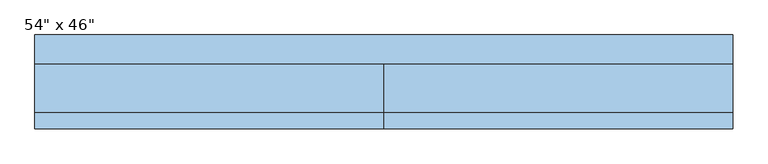
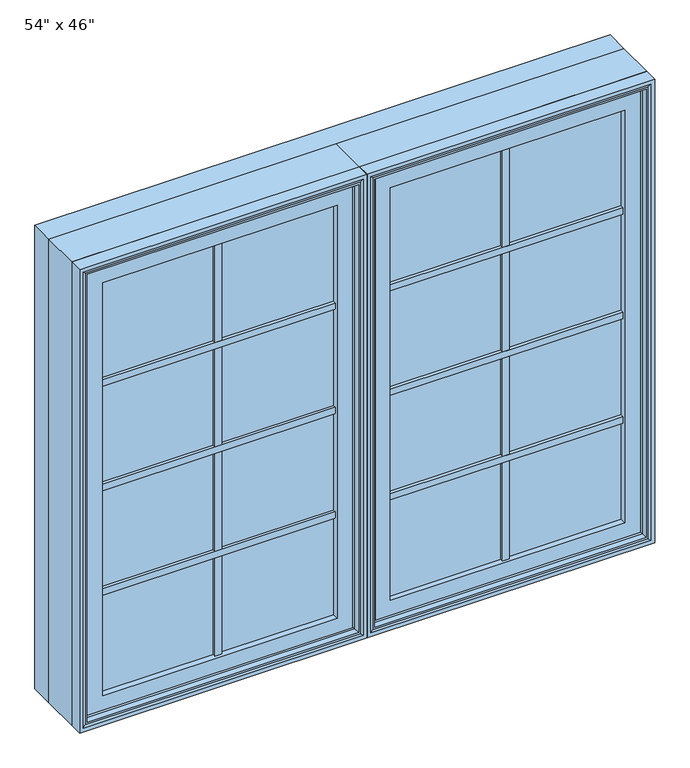
"""IFC4 building model written with IfcOpenShell, lengths in millimetres: window geometry."""

from ifc_helpers import new_model, si_unit, frame, origin, place, context, project, spatial, polyline, outline, extrude, faceted_brep, source, transform, mapped, element, save


def window_6384385e(model_context):
    return source(origin(), model_context, "Body", "SolidModel", [
        extrude(outline(polyline([(-14.684375, 18.8515625), (-14.684375, 25.2015625), (14.684375, 25.2015625), (14.684375, 18.8515625), (-14.684375, 18.8515625)])), frame((0.0, 0.0, 933.45), z_axis=(0.0, 0.0, 1.0), x_axis=(1.0, 0.0, 0.0)), (0.0, 0.0, 1.0), 1130.3),
        extrude(outline(polyline([(632.221875, -61.515625), (53.578125, -61.515625), (53.578125, -53.578125), (632.221875, -53.578125), (632.221875, -61.515625)])), frame((0.0, 0.0, 1752.5007813), z_axis=(0.0, 0.0, 1.0), x_axis=(1.0, 0.0, 0.0)), (0.0, 0.0, 1.0), 15.875),
        extrude(outline(polyline([(632.221875, -86.915625), (53.578125, -86.915625), (53.578125, -78.978125), (632.221875, -78.978125), (632.221875, -86.915625)])), frame((0.0, 0.0, 1752.5007813), z_axis=(0.0, 0.0, 1.0), x_axis=(1.0, 0.0, 0.0)), (0.0, 0.0, 1.0), 15.875),
        extrude(outline(polyline([(632.221875, -75.803125), (53.578125, -75.803125), (53.578125, -64.690625), (632.221875, -64.690625), (632.221875, -75.803125)])), frame((0.0, 0.0, 1757.2632813), z_axis=(0.0, 0.0, 1.0), x_axis=(1.0, 0.0, 0.0)), (0.0, 0.0, 1.0), 6.35),
        extrude(outline(polyline([(632.221875, -61.515625), (53.578125, -61.515625), (53.578125, -53.578125), (632.221875, -53.578125), (632.221875, -61.515625)])), frame((0.0, 0.0, 1489.075), z_axis=(0.0, 0.0, 1.0), x_axis=(1.0, 0.0, 0.0)), (0.0, 0.0, 1.0), 15.875),
        extrude(outline(polyline([(632.221875, -86.915625), (53.578125, -86.915625), (53.578125, -78.978125), (632.221875, -78.978125), (632.221875, -86.915625)])), frame((0.0, 0.0, 1489.075), z_axis=(0.0, 0.0, 1.0), x_axis=(1.0, 0.0, 0.0)), (0.0, 0.0, 1.0), 15.875),
        extrude(outline(polyline([(632.221875, -75.803125), (53.578125, -75.803125), (53.578125, -64.690625), (632.221875, -64.690625), (632.221875, -75.803125)])), frame((0.0, 0.0, 1493.8375), z_axis=(0.0, 0.0, 1.0), x_axis=(1.0, 0.0, 0.0)), (0.0, 0.0, 1.0), 6.35),
        extrude(outline(polyline([(632.221875, -61.515625), (53.578125, -61.515625), (53.578125, -53.578125), (632.221875, -53.578125), (632.221875, -61.515625)])), frame((0.0, 0.0, 1225.6492188), z_axis=(0.0, 0.0, 1.0), x_axis=(1.0, 0.0, 0.0)), (0.0, 0.0, 1.0), 15.875),
        extrude(outline(polyline([(632.221875, -86.915625), (53.578125, -86.915625), (53.578125, -78.978125), (632.221875, -78.978125), (632.221875, -86.915625)])), frame((0.0, 0.0, 1225.6492188), z_axis=(0.0, 0.0, 1.0), x_axis=(1.0, 0.0, 0.0)), (0.0, 0.0, 1.0), 15.875),
        extrude(outline(polyline([(632.221875, -75.803125), (53.578125, -75.803125), (53.578125, -64.690625), (632.221875, -64.690625), (632.221875, -75.803125)])), frame((0.0, 0.0, 1230.4117188), z_axis=(0.0, 0.0, 1.0), x_axis=(1.0, 0.0, 0.0)), (0.0, 0.0, 1.0), 6.35),
        extrude(outline(polyline([(346.075, -64.690625), (346.075, -75.803125), (339.725, -75.803125), (339.725, -64.690625), (346.075, -64.690625)])), frame((0.0, 0.0, 967.978125), z_axis=(0.0, 0.0, 1.0), x_axis=(1.0, 0.0, 0.0)), (0.0, 0.0, 1.0), 1061.24375),
        extrude(outline(polyline([(350.8375, -53.578125), (350.8375, -61.515625), (334.9625, -61.515625), (334.9625, -53.578125), (350.8375, -53.578125)])), frame((0.0, 0.0, 967.978125), z_axis=(0.0, 0.0, 1.0), x_axis=(1.0, 0.0, 0.0)), (0.0, 0.0, 1.0), 1061.24375),
        extrude(outline(polyline([(350.8375, -78.978125), (350.8375, -86.915625), (334.9625, -86.915625), (334.9625, -78.978125), (350.8375, -78.978125)])), frame((0.0, 0.0, 967.978125), z_axis=(0.0, 0.0, 1.0), x_axis=(1.0, 0.0, 0.0)), (0.0, 0.0, 1.0), 1061.24375),
        extrude(outline(polyline([(632.221875, -61.515625), (632.221875, -78.978125), (53.578125, -78.978125), (53.578125, -61.515625), (632.221875, -61.515625)])), frame((0.0, 0.0, 967.978125), z_axis=(0.0, 0.0, 1.0), x_axis=(1.0, 0.0, 0.0)), (0.0, 0.0, 1.0), 1061.24375),
        faceted_brep([(666.1404, -54.0563278, 934.0596), (666.1404, -75.6046875, 934.0596), (666.1404, -75.6046875, 2063.1404), (666.1404, -54.0563278, 2063.1404), (638.177183, 1.7772662, 2035.177183), (638.177183, 1.7772662, 962.025), (638.177183, -47.0093984, 962.025), (638.177183, -47.0093984, 2035.177183), (685.8, -75.6046875, 914.4), (685.8, 18.8515625, 914.4), (685.8, 18.8515625, 2082.8), (685.8, -75.6046875, 2082.8), (19.6596, -75.6046875, 2063.1404), (19.6596, -54.0563278, 2063.1404), (47.622817, -47.0093984, 2035.177183), (47.622817, 1.7772662, 2035.177183), (0.0, 18.8515625, 2082.8), (0.0, -75.6046875, 2082.8), (659.6634, -47.0093984, 940.5366), (659.6634, -54.0563278, 940.5366), (659.6634, -54.0563278, 2056.6634), (659.6634, -47.0093984, 2056.6634), (26.1366, -54.0563278, 2056.6634), (26.1366, -47.0093984, 2056.6634), (22.2238888, 18.8515625, 2060.5761112), (663.5761112, 18.8515625, 2060.5761112), (663.5761112, 1.7772662, 2060.5761112), (22.2238888, 1.7772662, 2060.5761112), (663.5761112, 18.8515625, 936.6238888), (663.5761112, 1.7772662, 936.6238888), (0.0, -75.6046875, 914.4), (0.0, 18.8515625, 914.4), (19.6596, -75.6046875, 934.0596), (19.6596, -54.0563278, 934.0596), (26.1366, -54.0563278, 940.5366), (26.1366, -47.0093984, 940.5366), (47.622817, -47.0093984, 962.025), (47.622817, 1.7772662, 962.025), (22.2238888, 1.7772662, 936.6238888), (22.2238888, 18.8515625, 936.6238888)], [[[0, 1, 2, 3]], [[4, 5, 6, 7]], [[8, 9, 10, 11]], [[2, 12, 13, 3]], [[7, 14, 15, 4]], [[10, 16, 17, 11]], [[18, 19, 20, 21]], [[20, 22, 23, 21]], [[24, 25, 26, 27]], [[25, 28, 29, 26]], [[8, 30, 31, 9]], [[8, 11, 17, 30], [12, 2, 1, 32]], [[12, 32, 33, 13]], [[13, 33, 0, 3], [22, 20, 19, 34]], [[22, 34, 35, 23]], [[23, 35, 18, 21], [7, 6, 36, 14]], [[14, 36, 37, 15]], [[26, 29, 38, 27], [15, 37, 5, 4]], [[38, 39, 24, 27]], [[31, 16, 10, 9], [25, 24, 39, 28]], [[17, 16, 31, 30]], [[1, 0, 33, 32]], [[19, 18, 35, 34]], [[6, 5, 37, 36]], [[29, 28, 39, 38]]]),
        extrude(outline(polyline([(941.2966952, 658.9033048), (2055.9033048, 658.9033048), (2055.9033048, 26.8966952), (941.2966952, 26.8966952), (941.2966952, 658.9033048)]), holes=[polyline([(2019.1015625, 622.1015625), (978.0984375, 622.1015625), (978.0984375, 63.6984375), (2019.1015625, 63.6984375), (2019.1015625, 622.1015625)])]), frame((0.0, -94.2883505, 0.0), z_axis=(0.0, 1.0, 0.0), x_axis=(0.0, 0.0, 1.0)), (0.0, 0.0, 1.0), 14.1988723),
        faceted_brep([(652.8341084, -78.8395729, 2049.8341084), (652.8341084, -78.8395729, 947.3658916), (652.8341084, -47.2499024, 947.3658916), (652.8341084, -47.2499024, 2049.8341084), (632.221875, -61.515625, 2029.221875), (632.221875, -61.515625, 967.978125), (632.221875, -78.8395729, 967.978125), (632.221875, -78.8395729, 2029.221875), (32.9658916, -78.8395729, 947.3658916), (32.9658916, -47.2499024, 947.3658916), (53.578125, -61.515625, 967.978125), (53.578125, -78.8395729, 967.978125), (32.9658916, -78.8395729, 2049.8341084), (32.9658916, -47.2499024, 2049.8341084), (53.578125, -61.515625, 2029.221875), (53.578125, -78.8395729, 2029.221875), (622.1015625, -61.515625, 2019.1015625), (622.1015625, -61.515625, 978.0984375), (63.6984375, -61.515625, 978.0984375), (63.6984375, -61.515625, 2019.1015625), (624.8498111, -47.2499024, 975.3501889), (624.8498111, -47.2499024, 2021.8498111), (60.9501889, -47.2499024, 2021.8498111), (60.9501889, -47.2499024, 975.3501889), (622.1015625, -60.1793953, 2019.1015625), (622.1015625, -60.1793953, 978.0984375), (63.6984375, -60.1793953, 978.0984375), (63.6984375, -60.1793953, 2019.1015625)], [[[0, 1, 2, 3]], [[4, 5, 6, 7]], [[1, 8, 9, 2]], [[5, 10, 11, 6]], [[8, 12, 13, 9]], [[10, 14, 15, 11]], [[12, 0, 3, 13]], [[1, 0, 12, 8], [7, 6, 11, 15]], [[14, 4, 7, 15]], [[5, 4, 14, 10], [16, 17, 18, 19]], [[3, 2, 9, 13], [20, 21, 22, 23]], [[24, 25, 17, 16]], [[25, 26, 18, 17]], [[26, 27, 19, 18]], [[27, 24, 16, 19]], [[21, 20, 25, 24]], [[20, 23, 26, 25]], [[23, 22, 27, 26]], [[22, 21, 24, 27]]]),
        faceted_brep([(671.2220166, -106.5736375, 2068.2220166), (671.2220166, -106.5736375, 928.9779834), (676.555345, -108.1484375, 923.644655), (676.555345, -108.1484375, 2073.555345), (666.3526868, -91.7927591, 2063.3526868), (666.3526868, -91.7927591, 933.8473132), (666.3526868, -106.5736375, 933.8473132), (666.3526868, -106.5736375, 2063.3526868), (685.8, -108.1484375, 2082.8), (685.8, -108.1484375, 914.4), (685.8, -75.6046875, 914.4), (685.8, -75.6046875, 2082.8), (14.5779834, -106.5736375, 928.9779834), (9.244655, -108.1484375, 923.644655), (19.4473132, -91.7927591, 933.8473132), (19.4473132, -106.5736375, 933.8473132), (0.0, -108.1484375, 914.4), (0.0, -75.6046875, 914.4), (14.5779834, -106.5736375, 2068.2220166), (9.244655, -108.1484375, 2073.555345), (19.4473132, -91.7927591, 2063.3526868), (19.4473132, -106.5736375, 2063.3526868), (0.0, -108.1484375, 2082.8), (0.0, -75.6046875, 2082.8), (665.1244, -75.6046875, 935.0756), (665.1244, -75.6046875, 2062.1244), (20.6756, -75.6046875, 2062.1244), (20.6756, -75.6046875, 935.0756), (665.1244, -77.6195591, 2062.1244), (665.1244, -77.6195591, 935.0756), (20.6756, -77.6195591, 935.0756), (20.6756, -77.6195591, 2062.1244)], [[[0, 1, 2, 3]], [[4, 5, 6, 7]], [[8, 9, 10, 11]], [[1, 12, 13, 2]], [[5, 14, 15, 6]], [[9, 16, 17, 10]], [[12, 18, 19, 13]], [[14, 20, 21, 15]], [[16, 22, 23, 17]], [[9, 8, 22, 16], [3, 2, 13, 19]], [[18, 0, 3, 19]], [[1, 0, 18, 12], [7, 6, 15, 21]], [[20, 4, 7, 21]], [[11, 10, 17, 23], [24, 25, 26, 27]], [[22, 8, 11, 23]], [[28, 29, 5, 4]], [[25, 24, 29, 28]], [[29, 30, 14, 5]], [[24, 27, 30, 29]], [[30, 31, 20, 14]], [[27, 26, 31, 30]], [[31, 28, 4, 20]], [[26, 25, 28, 31]]]),
        extrude(outline(polyline([(-53.578125, -61.515625), (-632.221875, -61.515625), (-632.221875, -53.578125), (-53.578125, -53.578125), (-53.578125, -61.515625)])), frame((0.0, 0.0, 1752.5007813), z_axis=(0.0, 0.0, 1.0), x_axis=(1.0, 0.0, 0.0)), (0.0, 0.0, 1.0), 15.875),
        extrude(outline(polyline([(-53.578125, -86.915625), (-632.221875, -86.915625), (-632.221875, -78.978125), (-53.578125, -78.978125), (-53.578125, -86.915625)])), frame((0.0, 0.0, 1752.5007813), z_axis=(0.0, 0.0, 1.0), x_axis=(1.0, 0.0, 0.0)), (0.0, 0.0, 1.0), 15.875),
        extrude(outline(polyline([(-53.578125, -75.803125), (-632.221875, -75.803125), (-632.221875, -64.690625), (-53.578125, -64.690625), (-53.578125, -75.803125)])), frame((0.0, 0.0, 1757.2632813), z_axis=(0.0, 0.0, 1.0), x_axis=(1.0, 0.0, 0.0)), (0.0, 0.0, 1.0), 6.35),
        extrude(outline(polyline([(-53.578125, -61.515625), (-632.221875, -61.515625), (-632.221875, -53.578125), (-53.578125, -53.578125), (-53.578125, -61.515625)])), frame((0.0, 0.0, 1489.075), z_axis=(0.0, 0.0, 1.0), x_axis=(1.0, 0.0, 0.0)), (0.0, 0.0, 1.0), 15.875),
        extrude(outline(polyline([(-53.578125, -86.915625), (-632.221875, -86.915625), (-632.221875, -78.978125), (-53.578125, -78.978125), (-53.578125, -86.915625)])), frame((0.0, 0.0, 1489.075), z_axis=(0.0, 0.0, 1.0), x_axis=(1.0, 0.0, 0.0)), (0.0, 0.0, 1.0), 15.875),
        extrude(outline(polyline([(-53.578125, -75.803125), (-632.221875, -75.803125), (-632.221875, -64.690625), (-53.578125, -64.690625), (-53.578125, -75.803125)])), frame((0.0, 0.0, 1493.8375), z_axis=(0.0, 0.0, 1.0), x_axis=(1.0, 0.0, 0.0)), (0.0, 0.0, 1.0), 6.35),
        extrude(outline(polyline([(-53.578125, -61.515625), (-632.221875, -61.515625), (-632.221875, -53.578125), (-53.578125, -53.578125), (-53.578125, -61.515625)])), frame((0.0, 0.0, 1225.6492188), z_axis=(0.0, 0.0, 1.0), x_axis=(1.0, 0.0, 0.0)), (0.0, 0.0, 1.0), 15.875),
        extrude(outline(polyline([(-53.578125, -86.915625), (-632.221875, -86.915625), (-632.221875, -78.978125), (-53.578125, -78.978125), (-53.578125, -86.915625)])), frame((0.0, 0.0, 1225.6492188), z_axis=(0.0, 0.0, 1.0), x_axis=(1.0, 0.0, 0.0)), (0.0, 0.0, 1.0), 15.875),
        extrude(outline(polyline([(-53.578125, -75.803125), (-632.221875, -75.803125), (-632.221875, -64.690625), (-53.578125, -64.690625), (-53.578125, -75.803125)])), frame((0.0, 0.0, 1230.4117188), z_axis=(0.0, 0.0, 1.0), x_axis=(1.0, 0.0, 0.0)), (0.0, 0.0, 1.0), 6.35),
        extrude(outline(polyline([(-339.725, -64.690625), (-339.725, -75.803125), (-346.075, -75.803125), (-346.075, -64.690625), (-339.725, -64.690625)])), frame((0.0, 0.0, 967.978125), z_axis=(0.0, 0.0, 1.0), x_axis=(1.0, 0.0, 0.0)), (0.0, 0.0, 1.0), 1061.24375),
        extrude(outline(polyline([(-334.9625, -53.578125), (-334.9625, -61.515625), (-350.8375, -61.515625), (-350.8375, -53.578125), (-334.9625, -53.578125)])), frame((0.0, 0.0, 967.978125), z_axis=(0.0, 0.0, 1.0), x_axis=(1.0, 0.0, 0.0)), (0.0, 0.0, 1.0), 1061.24375),
        extrude(outline(polyline([(-334.9625, -78.978125), (-334.9625, -86.915625), (-350.8375, -86.915625), (-350.8375, -78.978125), (-334.9625, -78.978125)])), frame((0.0, 0.0, 967.978125), z_axis=(0.0, 0.0, 1.0), x_axis=(1.0, 0.0, 0.0)), (0.0, 0.0, 1.0), 1061.24375),
        extrude(outline(polyline([(-53.578125, -61.515625), (-53.578125, -78.978125), (-632.221875, -78.978125), (-632.221875, -61.515625), (-53.578125, -61.515625)])), frame((0.0, 0.0, 967.978125), z_axis=(0.0, 0.0, 1.0), x_axis=(1.0, 0.0, 0.0)), (0.0, 0.0, 1.0), 1061.24375),
        faceted_brep([(-19.6596, -54.0563278, 934.0596), (-19.6596, -75.6046875, 934.0596), (-19.6596, -75.6046875, 2063.1404), (-19.6596, -54.0563278, 2063.1404), (-47.622817, 1.7772662, 2035.177183), (-47.622817, 1.7772662, 962.025), (-47.622817, -47.0093984, 962.025), (-47.622817, -47.0093984, 2035.177183), (0.0, -75.6046875, 914.4), (0.0, 18.8515625, 914.4), (0.0, 18.8515625, 2082.8), (0.0, -75.6046875, 2082.8), (-666.1404, -75.6046875, 2063.1404), (-666.1404, -54.0563278, 2063.1404), (-638.177183, -47.0093984, 2035.177183), (-638.177183, 1.7772662, 2035.177183), (-685.8, 18.8515625, 2082.8), (-685.8, -75.6046875, 2082.8), (-26.1366, -47.0093984, 940.5366), (-26.1366, -54.0563278, 940.5366), (-26.1366, -54.0563278, 2056.6634), (-26.1366, -47.0093984, 2056.6634), (-659.6634, -54.0563278, 2056.6634), (-659.6634, -47.0093984, 2056.6634), (-663.5761112, 18.8515625, 2060.5761112), (-22.2238888, 18.8515625, 2060.5761112), (-22.2238888, 1.7772662, 2060.5761112), (-663.5761112, 1.7772662, 2060.5761112), (-22.2238888, 18.8515625, 936.6238888), (-22.2238888, 1.7772662, 936.6238888), (-685.8, -75.6046875, 914.4), (-685.8, 18.8515625, 914.4), (-666.1404, -75.6046875, 934.0596), (-666.1404, -54.0563278, 934.0596), (-659.6634, -54.0563278, 940.5366), (-659.6634, -47.0093984, 940.5366), (-638.177183, -47.0093984, 962.025), (-638.177183, 1.7772662, 962.025), (-663.5761112, 1.7772662, 936.6238888), (-663.5761112, 18.8515625, 936.6238888)], [[[0, 1, 2, 3]], [[4, 5, 6, 7]], [[8, 9, 10, 11]], [[2, 12, 13, 3]], [[7, 14, 15, 4]], [[10, 16, 17, 11]], [[18, 19, 20, 21]], [[20, 22, 23, 21]], [[24, 25, 26, 27]], [[25, 28, 29, 26]], [[8, 30, 31, 9]], [[8, 11, 17, 30], [12, 2, 1, 32]], [[12, 32, 33, 13]], [[13, 33, 0, 3], [22, 20, 19, 34]], [[22, 34, 35, 23]], [[23, 35, 18, 21], [7, 6, 36, 14]], [[14, 36, 37, 15]], [[26, 29, 38, 27], [15, 37, 5, 4]], [[38, 39, 24, 27]], [[31, 16, 10, 9], [25, 24, 39, 28]], [[17, 16, 31, 30]], [[1, 0, 33, 32]], [[19, 18, 35, 34]], [[6, 5, 37, 36]], [[29, 28, 39, 38]]]),
        extrude(outline(polyline([(941.2966952, -26.8966952), (2055.9033048, -26.8966952), (2055.9033048, -658.9033048), (941.2966952, -658.9033048), (941.2966952, -26.8966952)]), holes=[polyline([(2019.1015625, -63.6984375), (978.0984375, -63.6984375), (978.0984375, -622.1015625), (2019.1015625, -622.1015625), (2019.1015625, -63.6984375)])]), frame((0.0, -94.2883505, 0.0), z_axis=(0.0, 1.0, 0.0), x_axis=(0.0, 0.0, 1.0)), (0.0, 0.0, 1.0), 14.1988723),
        faceted_brep([(-32.9658916, -78.8395729, 2049.8341084), (-32.9658916, -78.8395729, 947.3658916), (-32.9658916, -47.2499024, 947.3658916), (-32.9658916, -47.2499024, 2049.8341084), (-53.578125, -61.515625, 2029.221875), (-53.578125, -61.515625, 967.978125), (-53.578125, -78.8395729, 967.978125), (-53.578125, -78.8395729, 2029.221875), (-652.8341084, -78.8395729, 947.3658916), (-652.8341084, -47.2499024, 947.3658916), (-632.221875, -61.515625, 967.978125), (-632.221875, -78.8395729, 967.978125), (-652.8341084, -78.8395729, 2049.8341084), (-652.8341084, -47.2499024, 2049.8341084), (-632.221875, -61.515625, 2029.221875), (-632.221875, -78.8395729, 2029.221875), (-63.6984375, -61.515625, 2019.1015625), (-63.6984375, -61.515625, 978.0984375), (-622.1015625, -61.515625, 978.0984375), (-622.1015625, -61.515625, 2019.1015625), (-60.9501889, -47.2499024, 975.3501889), (-60.9501889, -47.2499024, 2021.8498111), (-624.8498111, -47.2499024, 2021.8498111), (-624.8498111, -47.2499024, 975.3501889), (-63.6984375, -60.1793953, 2019.1015625), (-63.6984375, -60.1793953, 978.0984375), (-622.1015625, -60.1793953, 978.0984375), (-622.1015625, -60.1793953, 2019.1015625)], [[[0, 1, 2, 3]], [[4, 5, 6, 7]], [[1, 8, 9, 2]], [[5, 10, 11, 6]], [[8, 12, 13, 9]], [[10, 14, 15, 11]], [[12, 0, 3, 13]], [[1, 0, 12, 8], [7, 6, 11, 15]], [[14, 4, 7, 15]], [[5, 4, 14, 10], [16, 17, 18, 19]], [[3, 2, 9, 13], [20, 21, 22, 23]], [[24, 25, 17, 16]], [[25, 26, 18, 17]], [[26, 27, 19, 18]], [[27, 24, 16, 19]], [[21, 20, 25, 24]], [[20, 23, 26, 25]], [[23, 22, 27, 26]], [[22, 21, 24, 27]]]),
        faceted_brep([(-14.5779834, -106.5736375, 2068.2220166), (-14.5779834, -106.5736375, 928.9779834), (-9.244655, -108.1484375, 923.644655), (-9.244655, -108.1484375, 2073.555345), (-19.4473132, -91.7927591, 2063.3526868), (-19.4473132, -91.7927591, 933.8473132), (-19.4473132, -106.5736375, 933.8473132), (-19.4473132, -106.5736375, 2063.3526868), (0.0, -108.1484375, 2082.8), (0.0, -108.1484375, 914.4), (0.0, -75.6046875, 914.4), (0.0, -75.6046875, 2082.8), (-671.2220166, -106.5736375, 928.9779834), (-676.555345, -108.1484375, 923.644655), (-666.3526868, -91.7927591, 933.8473132), (-666.3526868, -106.5736375, 933.8473132), (-685.8, -108.1484375, 914.4), (-685.8, -75.6046875, 914.4), (-671.2220166, -106.5736375, 2068.2220166), (-676.555345, -108.1484375, 2073.555345), (-666.3526868, -91.7927591, 2063.3526868), (-666.3526868, -106.5736375, 2063.3526868), (-685.8, -108.1484375, 2082.8), (-685.8, -75.6046875, 2082.8), (-20.6756, -75.6046875, 935.0756), (-20.6756, -75.6046875, 2062.1244), (-665.1244, -75.6046875, 2062.1244), (-665.1244, -75.6046875, 935.0756), (-20.6756, -77.6195591, 2062.1244), (-20.6756, -77.6195591, 935.0756), (-665.1244, -77.6195591, 935.0756), (-665.1244, -77.6195591, 2062.1244)], [[[0, 1, 2, 3]], [[4, 5, 6, 7]], [[8, 9, 10, 11]], [[1, 12, 13, 2]], [[5, 14, 15, 6]], [[9, 16, 17, 10]], [[12, 18, 19, 13]], [[14, 20, 21, 15]], [[16, 22, 23, 17]], [[9, 8, 22, 16], [3, 2, 13, 19]], [[18, 0, 3, 19]], [[1, 0, 18, 12], [7, 6, 15, 21]], [[20, 4, 7, 21]], [[11, 10, 17, 23], [24, 25, 26, 27]], [[22, 8, 11, 23]], [[28, 29, 5, 4]], [[25, 24, 29, 28]], [[29, 30, 14, 5]], [[24, 27, 30, 29]], [[30, 31, 20, 14]], [[27, 26, 31, 30]], [[31, 28, 4, 20]], [[26, 25, 28, 31]]]),
        extrude(outline(polyline([(2082.8, -685.8), (914.4, -685.8), (914.4, 685.8), (2082.8, 685.8), (2082.8, -685.8)]), holes=[polyline([(933.45, -666.75), (2063.75, -666.75), (2063.75, 666.75), (933.45, 666.75), (933.45, -666.75)])]), frame((0.0, 18.8515625, 0.0), z_axis=(0.0, 1.0, 0.0), x_axis=(0.0, 0.0, 1.0)), (0.0, 0.0, 1.0), 57.3484375),
    ])


if __name__ == "__main__":
    model = new_model("IFC4")
    model_context = context("Model", 3, world=origin())
    ifc_project = project(units=[si_unit("LENGTHUNIT", "METRE", prefix="MILLI")], contexts=[model_context])
    site = spatial("IfcSite", under=ifc_project)
    building = spatial("IfcBuilding", under=site)
    placement = place(None, origin())
    window_shape = window_6384385e(model_context)
    element("IfcWindow", 1, ObjectType="54\" x 46\"", at=placement, inside=building, context=model_context, shape_type="MappedRepresentation", body=[
        mapped(window_shape, transform((0.0, 0.0, 0.0), x_axis=(1.0, 0.0, 0.0), y_axis=(0.0, 1.0, 0.0), z_axis=(0.0, 0.0, 1.0))),
    ])
    save(model, "model.ifc")
